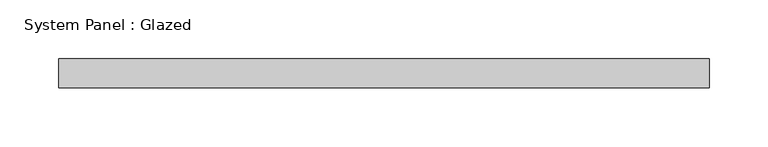
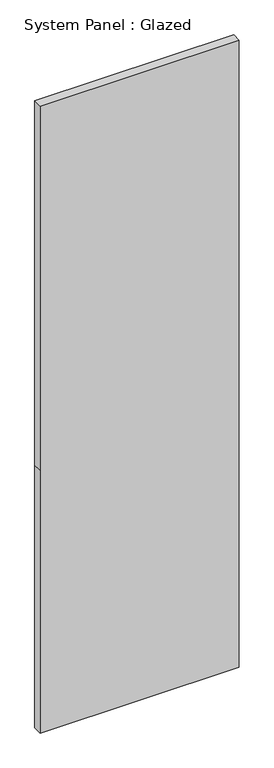
"""IFC4 building model written with IfcOpenShell, lengths in millimetres: plate geometry, System Panel : Glazed."""

from ifc_helpers import new_model, si_unit, frame, origin, place, context, project, spatial, polyline, outline, extrude, source, transform, mapped, element, save


def system_panel_glazed_e0b95e85(model_context):
    return source(origin(), model_context, "Body", "SweptSolid", [
        extrude(outline(polyline([(0.0, -277.5), (0.0, 277.5), (773.3333333, 277.5), (1846.6666667, 277.5), (1846.6666667, -277.5), (773.3333333, -277.5), (0.0, -277.5)])), frame((0.0, -49.5, 0.0), z_axis=(0.0, 1.0, 0.0), x_axis=(0.0, 0.0, 1.0)), (0.0, 0.0, 1.0), 25.0),
    ])


if __name__ == "__main__":
    model = new_model("IFC4")
    model_context = context("Model", 3, world=origin())
    ifc_project = project(units=[si_unit("LENGTHUNIT", "METRE", prefix="MILLI")], contexts=[model_context])
    site = spatial("IfcSite", under=ifc_project)
    building = spatial("IfcBuilding", under=site)
    placement = place(None, origin())
    system_panel_glazed_shape = system_panel_glazed_e0b95e85(model_context)
    element("IfcPlate", 1, ObjectType="System Panel : Glazed", at=placement, inside=building, context=model_context, shape_type="MappedRepresentation", body=[
        mapped(system_panel_glazed_shape, transform((0.0, 0.0, 0.0), x_axis=(1.0, 0.0, 0.0), y_axis=(0.0, 1.0, 0.0), z_axis=(0.0, 0.0, 1.0))),
    ])
    save(model, "model.ifc")
